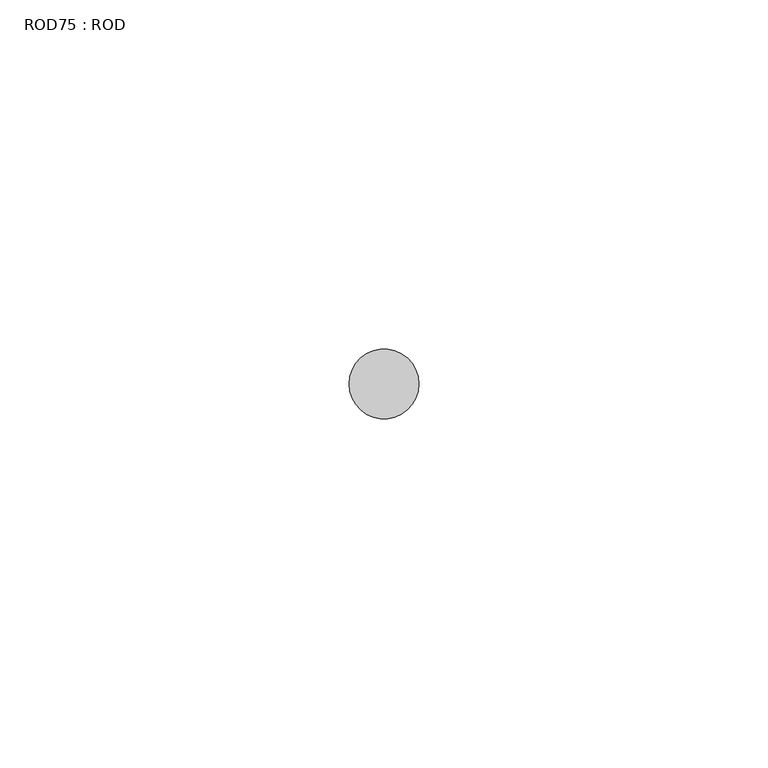
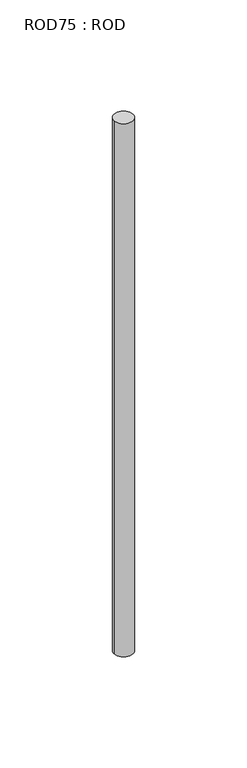
"""IFC4 building model written with IfcOpenShell, lengths in millimetres: proxy geometry, ROD75 : ROD."""

import ifcopenshell
import ifcopenshell.guid

model = None  # the IFC model being written
_history = None  # IfcOwnerHistory: only IFC2X3 demands one
_inside = {}  # id of a spatial element -> (the spatial element, [elements in it])
_under = {}  # id of a project, library or spatial element -> (it, [spatial elements below it])
_declared = {}  # id of a project -> (the project, [libraries it declares])
_typed = {}  # id of a type object -> (the type object, [elements of that type])
_made_of = {}  # id of a material, layer set ... -> (it, [elements and type objects made of it])


def new_model(schema):
    """Start an empty IFC model of exactly this schema.

    Asked for "IFC4X3", IfcOpenShell would pick the latest addendum, in which some entities
    have other attributes; the version numbers below select the first issue.
    IFC2X3 requires an IfcOwnerHistory on every rooted entity: one is made here for all.
    """
    global model, _history
    if schema == "IFC4X3":
        model = ifcopenshell.file(schema_version=(4, 3, 0, 0))
    else:
        model = ifcopenshell.file(schema=schema)
    _inside.clear()
    _under.clear()
    _declared.clear()
    _typed.clear()
    _made_of.clear()
    _history = None
    if model.schema == "IFC2X3":
        org = make("IfcOrganization", Name="unknown")
        user = make(
            "IfcPersonAndOrganization",
            ThePerson=make("IfcPerson", FamilyName="unknown"),
            TheOrganization=org,
        )
        app = make(
            "IfcApplication",
            ApplicationDeveloper=org,
            Version="unknown",
            ApplicationFullName="unknown",
            ApplicationIdentifier="unknown",
        )
        _history = make(
            "IfcOwnerHistory",
            OwningUser=user,
            OwningApplication=app,
            ChangeAction="ADDED",
            CreationDate=0,
        )
    return model


def make(cls, **values):
    """One entity of the class cls with the attributes given. An attribute that is None is left unset."""
    return model.create_entity(
        cls, **{name: value for name, value in values.items() if value is not None}
    )


def rooted(cls, **values):
    """An entity with a GlobalId (a new one), such as an element, a storey or a relation."""
    return make(cls, GlobalId=ifcopenshell.guid.new(), OwnerHistory=_history, **values)


def si_unit(unit_type, name, prefix=None):
    """IfcSIUnit, for example si_unit("LENGTHUNIT", "METRE", prefix="MILLI")."""
    return make("IfcSIUnit", UnitType=unit_type, Prefix=prefix, Name=name)


def assignment(units):
    """IfcUnitAssignment: the units of a project."""
    return None if units is None else make("IfcUnitAssignment", Units=units)


def point(xyz):
    """IfcCartesianPoint."""
    return None if xyz is None else make("IfcCartesianPoint", Coordinates=xyz)


def direction(xyz):
    """IfcDirection."""
    return None if xyz is None else make("IfcDirection", DirectionRatios=xyz)


def frame(location, z_axis=None, x_axis=None):
    """IfcAxis2Placement3D, a coordinate frame: its origin and axes. An axis left out is left unset."""
    return make(
        "IfcAxis2Placement3D",
        Location=point(location),
        Axis=direction(z_axis),
        RefDirection=direction(x_axis),
    )


def frame_2d(location, x_axis=None):
    """IfcAxis2Placement2D, a coordinate frame in the plane: its origin and x axis."""
    return make(
        "IfcAxis2Placement2D", Location=point(location), RefDirection=direction(x_axis)
    )


def origin():
    """The frame at (0, 0, 0) with its axes left unset."""
    return frame((0.0, 0.0, 0.0))


def place(relative_to, where):
    """IfcLocalPlacement: puts the frame where relative to a parent placement (None: the world)."""
    return make(
        "IfcLocalPlacement", PlacementRelTo=relative_to, RelativePlacement=where
    )


def context(
    kind, dimensions, precision=None, world=None, true_north=None, identifier=None
):
    """IfcGeometricRepresentationContext, for example the 3D "Model" context."""
    return make(
        "IfcGeometricRepresentationContext",
        ContextIdentifier=identifier,
        ContextType=kind,
        CoordinateSpaceDimension=dimensions,
        Precision=precision,
        WorldCoordinateSystem=world,
        TrueNorth=true_north,
    )


def project(units=None, contexts=None):
    """IfcProject with its units and contexts."""
    return rooted(
        "IfcProject",
        Name="project",
        RepresentationContexts=contexts,
        UnitsInContext=assignment(units),
    )


def spatial(cls, under=None, at=None, **own):
    """A site, building, storey or space (cls), placed at a placement, below another one or the project."""
    s = rooted(cls, ObjectPlacement=at, **own)
    if under is not None:
        _under.setdefault(under.id(), (under, []))[1].append(s)
    return s


def circle_curve(where, radius):
    """IfcCircle in the frame where."""
    return make("IfcCircle", Position=where, Radius=radius)


def trimmed(basis, trim1, trim2, sense, master):
    """IfcTrimmedCurve: the piece of a basis curve between two trims."""
    return make(
        "IfcTrimmedCurve",
        BasisCurve=basis,
        Trim1=trim1,
        Trim2=trim2,
        SenseAgreement=sense,
        MasterRepresentation=master,
    )


def segment(curve, same_sense, transition):
    """IfcCompositeCurveSegment."""
    return make(
        "IfcCompositeCurveSegment",
        Transition=transition,
        SameSense=same_sense,
        ParentCurve=curve,
    )


def composite_curve(segments, self_intersect=None):
    """IfcCompositeCurve: segments joined end to end."""
    return make("IfcCompositeCurve", Segments=segments, SelfIntersect=self_intersect)


def outline(outer, holes=None, kind="AREA"):
    """IfcArbitraryClosedProfileDef: a profile drawn as a closed curve; with holes, ...WithVoids."""
    if holes is None:
        return make("IfcArbitraryClosedProfileDef", ProfileType=kind, OuterCurve=outer)
    return make(
        "IfcArbitraryProfileDefWithVoids",
        ProfileType=kind,
        OuterCurve=outer,
        InnerCurves=holes,
    )


def extrude(swept, where, along, depth):
    """IfcExtrudedAreaSolid: the profile swept, set in the frame where, extruded along a direction by depth."""
    return make(
        "IfcExtrudedAreaSolid",
        SweptArea=swept,
        Position=where,
        ExtrudedDirection=direction(along),
        Depth=depth,
    )


def shape(context_of_items, identifier, shape_type, items):
    """IfcShapeRepresentation: the items that make up one representation, for example the "Body"."""
    return make(
        "IfcShapeRepresentation",
        ContextOfItems=context_of_items,
        RepresentationIdentifier=identifier,
        RepresentationType=shape_type,
        Items=items,
    )


def source(mapping_origin, context_of_items, identifier, shape_type, items):
    """IfcRepresentationMap: a shape defined once, which mapped items show again and again."""
    return make(
        "IfcRepresentationMap",
        MappingOrigin=mapping_origin,
        MappedRepresentation=shape(context_of_items, identifier, shape_type, items),
    )


def transform(
    local_origin,
    x_axis=None,
    y_axis=None,
    z_axis=None,
    scale=None,
    scale2=None,
    scale3=None,
    uniform=True,
):
    """IfcCartesianTransformationOperator3D, or its non-uniform kind. x_axis, y_axis, z_axis: its Axis1, 2, 3."""
    if uniform:
        return make(
            "IfcCartesianTransformationOperator3D",
            Axis1=direction(x_axis),
            Axis2=direction(y_axis),
            LocalOrigin=point(local_origin),
            Scale=scale,
            Axis3=direction(z_axis),
        )
    return make(
        "IfcCartesianTransformationOperator3DnonUniform",
        Axis1=direction(x_axis),
        Axis2=direction(y_axis),
        LocalOrigin=point(local_origin),
        Scale=scale,
        Axis3=direction(z_axis),
        Scale2=scale2,
        Scale3=scale3,
    )


def mapped(mapping_source, mapping_target):
    """IfcMappedItem: shows the shape of a source again, moved by a transform."""
    return make(
        "IfcMappedItem", MappingSource=mapping_source, MappingTarget=mapping_target
    )


def made_of(thing, what):
    """Note that an element or type object is made of a material, layer set ...; save() writes the relation."""
    if what is not None:
        _made_of.setdefault(what.id(), (what, []))[1].append(thing)
    return thing


def element(
    cls,
    number,
    at=None,
    inside=None,
    cuts=None,
    type_object=None,
    material=None,
    context=None,
    identifier="Body",
    shape_type=None,
    held_by="IfcProductDefinitionShape",
    body=None,
    shapes=None,
    **own,
):
    """One element of the class cls, such as IfcWall. Its Tag is "e" and its number.

    at: its placement. inside: the storey or other place that contains it. cuts: it is an
    opening in that element (IfcRelVoidsElement). A single representation is given by context,
    identifier, shape_type and body (its items); several are given by shapes. held_by: the class
    of the entity that holds the representations. save() writes the other relations.
    """
    e = rooted(cls, Tag="e%d" % number, ObjectPlacement=at, **own)
    if body is not None:
        shapes = [shape(context, identifier, shape_type, body)]
    if shapes is not None:
        e.Representation = make(held_by, Representations=shapes)
    if inside is not None:
        _inside.setdefault(inside.id(), (inside, []))[1].append(e)
    if cuts is not None:
        rooted(
            "IfcRelVoidsElement", RelatingBuildingElement=cuts, RelatedOpeningElement=e
        )
    if type_object is not None:
        _typed.setdefault(type_object.id(), (type_object, []))[1].append(e)
    return made_of(e, material)


def aggregate(whole, parts):
    """IfcRelAggregates: a whole, such as a stair, and the parts it consists of."""
    return rooted("IfcRelAggregates", RelatingObject=whole, RelatedObjects=parts)


def save(model, path):
    """Write the relations noted so far, then the file.

    IfcRelAggregates (storeys below a building ...), IfcRelContainedInSpatialStructure (elements
    in a storey), IfcRelDefinesByType, IfcRelAssociatesMaterial and IfcRelDeclares: one each for
    every whole, place, type object, material and project.
    """
    for whole, parts in _under.values():
        aggregate(whole, parts)
    for where, things in _inside.values():
        rooted(
            "IfcRelContainedInSpatialStructure",
            RelatedElements=things,
            RelatingStructure=where,
        )
    for kind, things in _typed.values():
        rooted("IfcRelDefinesByType", RelatedObjects=things, RelatingType=kind)
    for what, things in _made_of.values():
        rooted("IfcRelAssociatesMaterial", RelatedObjects=things, RelatingMaterial=what)
    for by, libraries in _declared.values():
        rooted("IfcRelDeclares", RelatingContext=by, RelatedDefinitions=libraries)
    model.write(path)


def rod75_rod_e17563d3(model_context):
    return source(origin(), model_context, "Body", "SweptSolid", [
        extrude(outline(composite_curve([segment(trimmed(circle_curve(frame_2d((8699.7673324, 1031.8951272)), 5.0), [point((8694.7673324, 1031.8951272))], [point((8704.7673324, 1031.8951272))], False, "CARTESIAN"), True, "CONTINUOUS"), segment(trimmed(circle_curve(frame_2d((8699.7673324, 1031.8951272)), 5.0), [point((8704.7673324, 1031.8951272))], [point((8694.7673324, 1031.8951272))], False, "CARTESIAN"), True, "CONTINUOUS")], self_intersect=False)), frame((0.0, 0.0, -108.6608845), z_axis=(0.0, 0.0, 1.0), x_axis=(1.0, 0.0, 0.0)), (0.0, 0.0, 1.0), 298.9028972),
    ])


if __name__ == "__main__":
    model = new_model("IFC4")
    model_context = context("Model", 3, world=origin())
    ifc_project = project(units=[si_unit("LENGTHUNIT", "METRE", prefix="MILLI")], contexts=[model_context])
    site = spatial("IfcSite", under=ifc_project)
    building = spatial("IfcBuilding", under=site)
    placement = place(None, origin())
    rod75_rod_shape = rod75_rod_e17563d3(model_context)
    element("IfcBuildingElementProxy", 1, Name="ROD75 : ROD", ObjectType="ROD75 : ROD", at=placement, inside=building, context=model_context, shape_type="MappedRepresentation", body=[
        mapped(rod75_rod_shape, transform((0.0, 0.0, 0.0), x_axis=(1.0, 0.0, 0.0), y_axis=(0.0, 1.0, 0.0), z_axis=(0.0, 0.0, 1.0))),
    ])
    save(model, "model.ifc")
